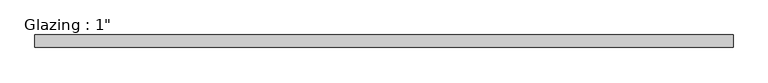
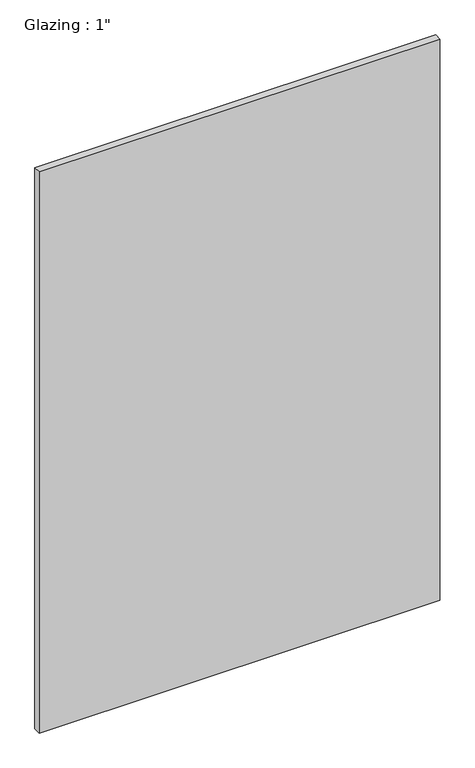
"""IFC4 building model written with IfcOpenShell, lengths in millimetres: plate geometry."""

from ifc_helpers import new_model, si_unit, origin, origin_with_axes, place, context, project, spatial, polyline, outline, extrude, source, transform, mapped, element, save


def plate_17698b8d(model_context):
    return source(origin(), model_context, "Body", "SweptSolid", [
        extrude(outline(polyline([(707.3789731, -12.7), (-707.3789731, -12.7), (-707.3789731, 12.7), (707.3789731, 12.7), (707.3789731, -12.7)])), origin_with_axes(), (0.0, 0.0, 1.0), 2094.5428768),
    ])


if __name__ == "__main__":
    model = new_model("IFC4")
    model_context = context("Model", 3, world=origin())
    ifc_project = project(units=[si_unit("LENGTHUNIT", "METRE", prefix="MILLI")], contexts=[model_context])
    site = spatial("IfcSite", under=ifc_project)
    building = spatial("IfcBuilding", under=site)
    placement = place(None, origin())
    plate_shape = plate_17698b8d(model_context)
    element("IfcPlate", 1, ObjectType="Glazing : 1\"", at=placement, inside=building, context=model_context, shape_type="MappedRepresentation", body=[
        mapped(plate_shape, transform((0.0, 0.0, 0.0), x_axis=(1.0, 0.0, 0.0), y_axis=(0.0, 1.0, 0.0), z_axis=(0.0, 0.0, 1.0))),
    ])
    save(model, "model.ifc")
